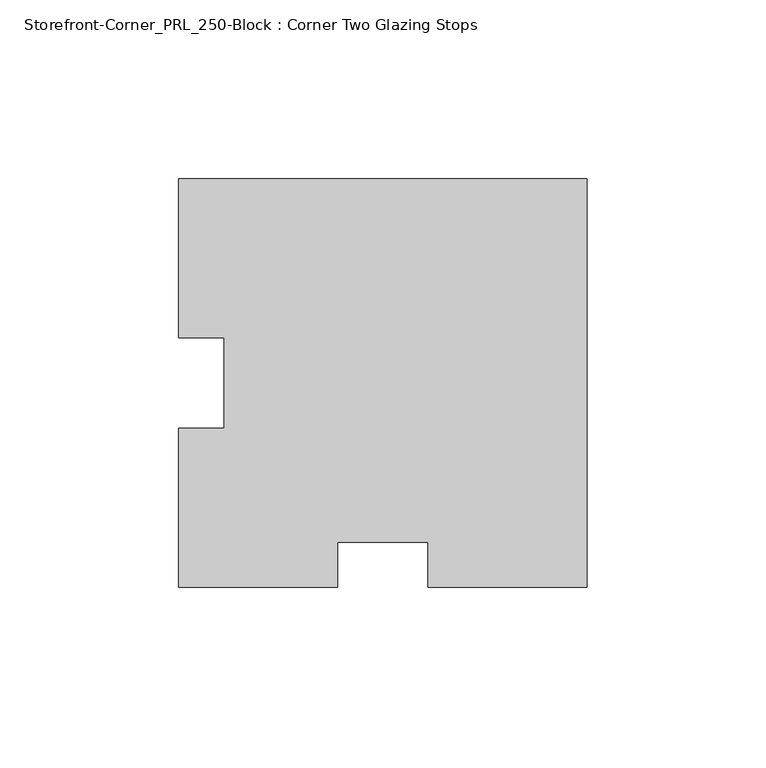
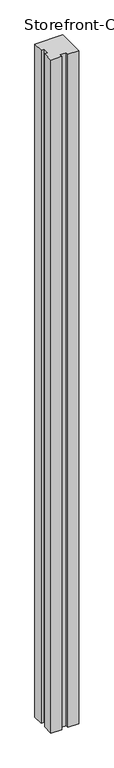
"""IFC4 building model written with IfcOpenShell, lengths in millimetres: proxy geometry, Storefront-Corner_PRL_250-Block : Corner Two Glazing Stops."""

from ifc_helpers import new_model, si_unit, origin, origin_with_axes, place, context, project, spatial, polyline, outline, extrude, source, transform, mapped, element, save


def storefront_corner_prl_250_block_corner_two_glazing_stops_68399e6f(model_context):
    return source(origin(), model_context, "Body", "SweptSolid", [
        extrude(outline(polyline([(-57.15, -12.7), (-44.45, -12.7), (-44.45, 12.7), (-57.15, 12.7), (-57.15, 57.15), (57.15, 57.15), (57.15, -57.15), (12.7, -57.15), (12.7, -44.45), (-12.7, -44.45), (-12.7, -57.15), (-57.15, -57.15), (-57.15, -12.7)])), origin_with_axes(), (0.0, 0.0, 1.0), 2930.525),
    ])


if __name__ == "__main__":
    model = new_model("IFC4")
    model_context = context("Model", 3, world=origin())
    ifc_project = project(units=[si_unit("LENGTHUNIT", "METRE", prefix="MILLI")], contexts=[model_context])
    site = spatial("IfcSite", under=ifc_project)
    building = spatial("IfcBuilding", under=site)
    placement = place(None, origin())
    storefront_corner_prl_250_block_corner_two_glazing_stops_shape = storefront_corner_prl_250_block_corner_two_glazing_stops_68399e6f(model_context)
    element("IfcBuildingElementProxy", 1, Name="Storefront-Corner_PRL_250-Block : Corner Two Glazing Stops", ObjectType="Storefront-Corner_PRL_250-Block : Corner Two Glazing Stops", at=placement, inside=building, context=model_context, shape_type="MappedRepresentation", body=[
        mapped(storefront_corner_prl_250_block_corner_two_glazing_stops_shape, transform((0.0, 0.0, 0.0), x_axis=(1.0, 0.0, 0.0), y_axis=(0.0, 1.0, 0.0), z_axis=(0.0, 0.0, 1.0))),
    ])
    save(model, "model.ifc")
